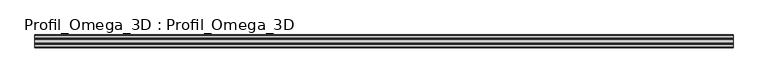
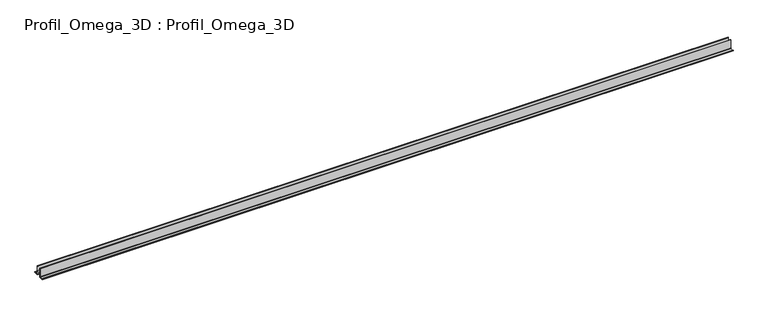
"""IFC4 building model written with IfcOpenShell, lengths in millimetres: proxy geometry, Profil_Omega_3D : Profil_Omega_3D."""

from ifc_helpers import new_model, si_unit, frame, origin, place, context, project, spatial, polyline, outline, extrude, source, transform, mapped, element, save


def profil_omega_3d_profil_omega_3d_def6b8f8(model_context):
    return source(origin(), model_context, "Body", "SweptSolid", [
        extrude(outline(polyline([(-11.85, -26.0), (-11.85, -48.0), (-33.35, -48.0), (-33.35, -44.5), (-30.6, -44.5), (-30.6, -45.5), (-32.3390394, -45.5), (-32.3390394, -47.0), (-12.85, -47.0), (-12.85, -45.5), (-14.85, -45.5), (-14.85, -44.5), (-12.85, -44.5), (-12.85, 0.0), (-10.1, 0.0), (-10.1, -1.0), (-11.85, -1.0), (-11.85, -25.0), (11.85, -25.0), (11.85, -1.0), (10.1, -1.0), (10.1, 0.0), (12.85, 0.0), (12.85, -44.5), (14.85, -44.5), (14.85, -45.5), (12.85, -45.5), (12.85, -47.0), (32.3390394, -47.0), (32.3390394, -45.5), (30.6, -45.5), (30.6, -44.5), (33.35, -44.5), (33.35, -48.0), (11.85, -48.0), (11.85, -26.0), (-11.85, -26.0)])), frame((0.0, 0.0, 0.0), z_axis=(1.0, 0.0, 0.0), x_axis=(0.0, 1.0, 0.0)), (0.0, 0.0, 1.0), 3600.0),
    ])


if __name__ == "__main__":
    model = new_model("IFC4")
    model_context = context("Model", 3, world=origin())
    ifc_project = project(units=[si_unit("LENGTHUNIT", "METRE", prefix="MILLI")], contexts=[model_context])
    site = spatial("IfcSite", under=ifc_project)
    building = spatial("IfcBuilding", under=site)
    placement = place(None, origin())
    profil_omega_3d_profil_omega_3d_shape = profil_omega_3d_profil_omega_3d_def6b8f8(model_context)
    element("IfcBuildingElementProxy", 1, Name="Profil_Omega_3D : Profil_Omega_3D", ObjectType="Profil_Omega_3D : Profil_Omega_3D", at=placement, inside=building, context=model_context, shape_type="MappedRepresentation", body=[
        mapped(profil_omega_3d_profil_omega_3d_shape, transform((0.0, 0.0, 0.0), x_axis=(1.0, 0.0, 0.0), y_axis=(0.0, 1.0, 0.0), z_axis=(0.0, 0.0, 1.0))),
    ])
    save(model, "model.ifc")
